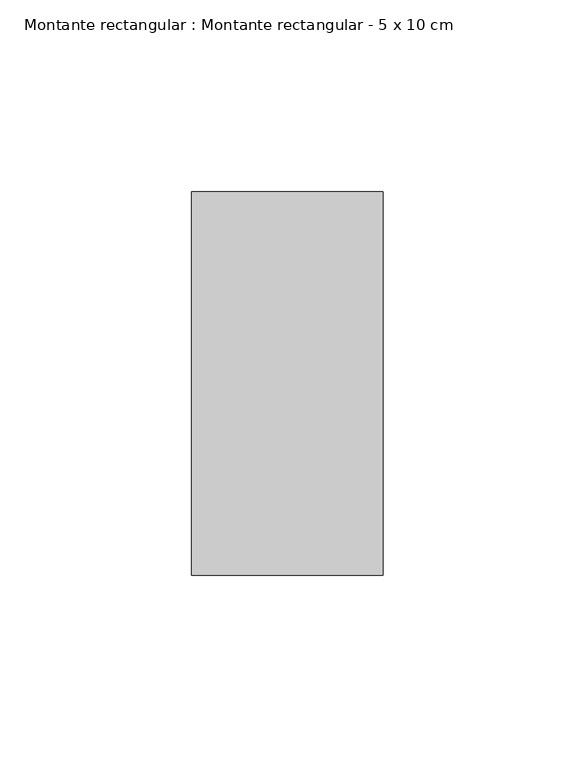
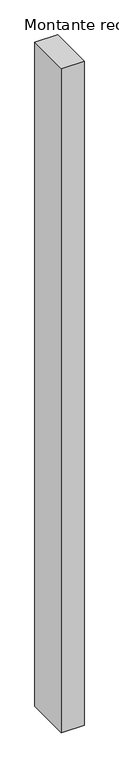
"""IFC4 building model written with IfcOpenShell, lengths in millimetres: member geometry, Montante rectangular : Montante rectangular - 5 x 10 cm."""

from ifc_helpers import new_model, si_unit, frame, origin, place, context, project, spatial, polyline, outline, extrude, source, transform, mapped, element, save


def montante_rectangular_montante_rectangular_5_x_10_cm_1c5ed59d(model_context):
    return source(origin(), model_context, "Body", "SweptSolid", [
        extrude(outline(polyline([(-50.0, 50.0), (0.0, 50.0), (0.0, -50.0), (-50.0, -50.0), (-50.0, 50.0)])), frame((0.0, 0.0, -1539.2228533), z_axis=(0.0, 0.0, 1.0), x_axis=(1.0, 0.0, 0.0)), (0.0, 0.0, 1.0), 1539.2228533),
    ])


if __name__ == "__main__":
    model = new_model("IFC4")
    model_context = context("Model", 3, world=origin())
    ifc_project = project(units=[si_unit("LENGTHUNIT", "METRE", prefix="MILLI")], contexts=[model_context])
    site = spatial("IfcSite", under=ifc_project)
    building = spatial("IfcBuilding", under=site)
    placement = place(None, origin())
    montante_rectangular_montante_rectangular_5_x_10_cm_shape = montante_rectangular_montante_rectangular_5_x_10_cm_1c5ed59d(model_context)
    element("IfcMember", 1, ObjectType="Montante rectangular : Montante rectangular - 5 x 10 cm", at=placement, inside=building, context=model_context, shape_type="MappedRepresentation", body=[
        mapped(montante_rectangular_montante_rectangular_5_x_10_cm_shape, transform((0.0, 0.0, 0.0), x_axis=(1.0, 0.0, 0.0), y_axis=(0.0, 1.0, 0.0), z_axis=(0.0, 0.0, 1.0))),
    ])
    save(model, "model.ifc")
